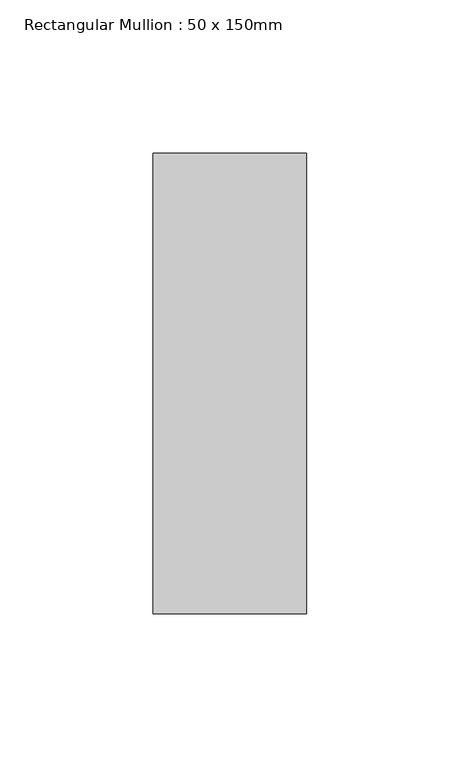
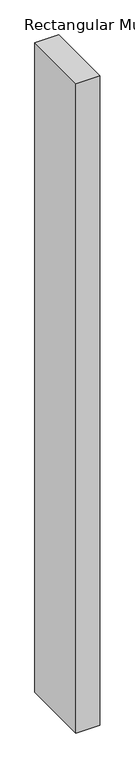
"""IFC4 building model written with IfcOpenShell, lengths in millimetres: member geometry, Rectangular Mullion : 50 x 150mm."""

from ifc_helpers import new_model, si_unit, frame, origin, place, context, project, spatial, polyline, outline, extrude, source, transform, mapped, element, save


def rectangular_mullion_50_x_150mm_6f562410(model_context):
    return source(origin(), model_context, "Body", "SweptSolid", [
        extrude(outline(polyline([(25.0, 75.0), (25.0, -75.0), (-25.0, -75.0), (-25.0, 75.0), (25.0, 75.0)])), frame((0.0, 0.0, -1448.3381193), z_axis=(0.0, 0.0, 1.0), x_axis=(1.0, 0.0, 0.0)), (0.0, 0.0, 1.0), 1448.3381193),
    ])


if __name__ == "__main__":
    model = new_model("IFC4")
    model_context = context("Model", 3, world=origin())
    ifc_project = project(units=[si_unit("LENGTHUNIT", "METRE", prefix="MILLI")], contexts=[model_context])
    site = spatial("IfcSite", under=ifc_project)
    building = spatial("IfcBuilding", under=site)
    placement = place(None, origin())
    rectangular_mullion_50_x_150mm_shape = rectangular_mullion_50_x_150mm_6f562410(model_context)
    element("IfcMember", 1, ObjectType="Rectangular Mullion : 50 x 150mm", at=placement, inside=building, context=model_context, shape_type="MappedRepresentation", body=[
        mapped(rectangular_mullion_50_x_150mm_shape, transform((0.0, 0.0, 0.0), x_axis=(1.0, 0.0, 0.0), y_axis=(0.0, 1.0, 0.0), z_axis=(0.0, 0.0, 1.0))),
    ])
    save(model, "model.ifc")
